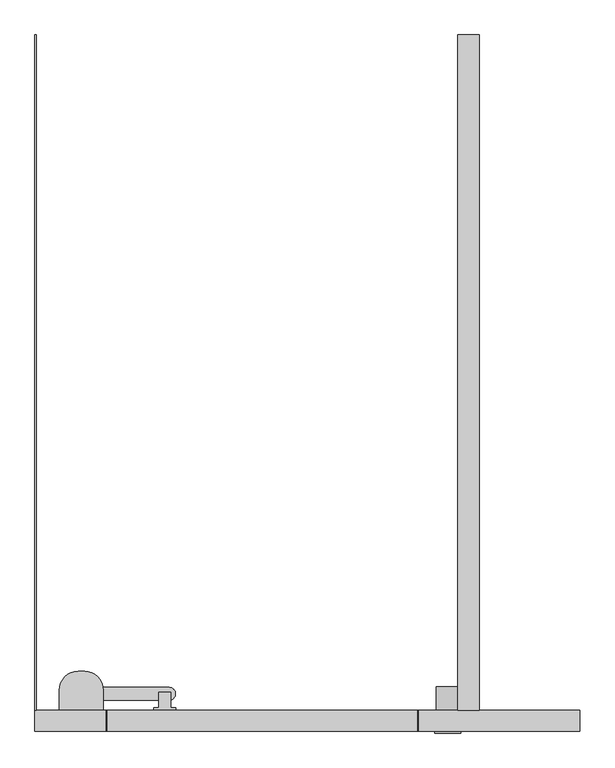
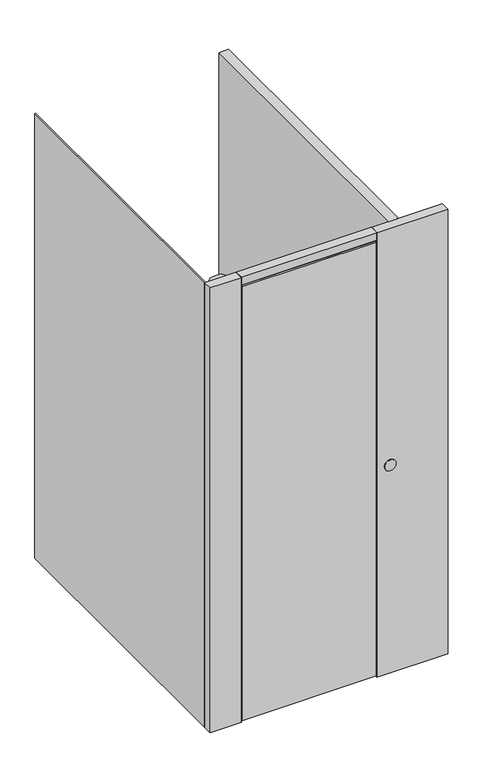
"""IFC4 building model written with IfcOpenShell, lengths in millimetres: proxy geometry."""

from ifc_helpers import new_model, si_unit, point, frame, frame_2d, origin, origin_with_axes, place, context, project, spatial, polyline, circle_curve, trimmed, segment, composite_curve, outline, extrude, source, transform, mapped, element, save


def specialty_equipment_42d1412f(model_context):
    return source(origin(), model_context, "Body", "SweptSolid", [
        extrude(outline(polyline([(-223.312138, 42.0), (-266.312138, 42.0), (-266.312138, 47.0), (-256.312138, 47.0), (-256.312138, 77.9983508), (-233.312138, 77.9983508), (-233.312138, 47.0), (-223.312138, 47.0), (-223.312138, 42.0)])), frame((0.0, 0.0, 2067.5), z_axis=(0.0, 0.0, 1.0), x_axis=(1.0, 0.0, 0.0)), (0.0, 0.0, 1.0), 18.0),
        extrude(outline(composite_curve([segment(trimmed(circle_curve(frame_2d((-403.5, 82.0)), 37.0), [point((-366.5, 82.0))], [point((-366.8393944, 87.0))], True, "CARTESIAN"), True, "CONTINUOUS"), segment(polyline([(-366.8393944, 87.0), (-235.5, 87.0)]), True, "CONTINUOUS"), segment(trimmed(circle_curve(frame_2d((-235.5, 75.0)), 12.0), [point((-235.5, 87.0))], [point((-223.5, 75.0))], False, "CARTESIAN"), True, "CONTINUOUS"), segment(polyline([(-223.5, 75.0), (-223.5, 74.0)]), True, "CONTINUOUS"), segment(trimmed(circle_curve(frame_2d((-235.5, 74.0)), 12.0), [point((-223.5, 74.0))], [point((-235.5, 62.0))], False, "CARTESIAN"), True, "CONTINUOUS"), segment(polyline([(-235.5, 62.0), (-366.5, 62.0), (-366.5, 82.0)]), True, "CONTINUOUS")], self_intersect=False)), frame((0.0, 0.0, 2057.5), z_axis=(0.0, 0.0, 1.0), x_axis=(1.0, 0.0, 0.0)), (0.0, 0.0, 1.0), 10.0),
        extrude(outline(composite_curve([segment(polyline([(-366.5, 42.0), (-453.5, 42.0), (-453.5, 82.0)]), True, "CONTINUOUS"), segment(trimmed(circle_curve(frame_2d((-416.5, 82.0)), 37.0), [point((-453.5, 82.0))], [point((-416.5, 119.0))], False, "CARTESIAN"), True, "CONTINUOUS"), segment(polyline([(-416.5, 119.0), (-403.5, 119.0)]), True, "CONTINUOUS"), segment(trimmed(circle_curve(frame_2d((-403.5, 82.0)), 37.0), [point((-403.5, 119.0))], [point((-366.5, 82.0))], False, "CARTESIAN"), True, "CONTINUOUS"), segment(polyline([(-366.5, 82.0), (-366.5, 42.0)]), True, "CONTINUOUS")], self_intersect=False)), frame((0.0, 0.0, 1890.5), z_axis=(0.0, 0.0, 1.0), x_axis=(1.0, 0.0, 0.0)), (0.0, 0.0, 1.0), 200.0),
        extrude(outline(polyline([(256.0, 0.0), (-359.0, 0.0), (-359.0, 42.0), (256.0, 42.0), (256.0, 0.0)])), frame((0.0, 0.0, 2098.0), z_axis=(0.0, 0.0, 1.0), x_axis=(1.0, 0.0, 0.0)), (0.0, 0.0, 1.0), 1.3),
        extrude(outline(polyline([(256.0, 0.0), (-359.0, 0.0), (-359.0, 42.0), (256.0, 42.0), (256.0, 0.0)])), frame((0.0, 0.0, 2099.3), z_axis=(0.0, 0.0, 1.0), x_axis=(1.0, 0.0, 0.0)), (0.0, 0.0, 1.0), 36.7),
        extrude(outline(polyline([(-357.7, 42.0), (-357.7, 0.0), (-359.0, 0.0), (-359.0, 42.0), (-357.7, 42.0)])), frame((0.0, 0.0, 7.5), z_axis=(0.0, 0.0, 1.0), x_axis=(1.0, 0.0, 0.0)), (0.0, 0.0, 1.0), 2083.0),
        extrude(outline(polyline([(254.7, 42.0), (256.0, 42.0), (256.0, 0.0), (254.7, 0.0), (254.7, 42.0)])), frame((0.0, 0.0, 7.5), z_axis=(0.0, 0.0, 1.0), x_axis=(1.0, 0.0, 0.0)), (0.0, 0.0, 1.0), 2083.0),
        extrude(outline(polyline([(254.7, 42.0), (254.7, 0.0), (-357.7, 0.0), (-357.7, 42.0), (254.7, 42.0)])), frame((0.0, 0.0, 7.5), z_axis=(0.0, 0.0, 1.0), x_axis=(1.0, 0.0, 0.0)), (0.0, 0.0, 1.0), 2083.0),
        extrude(outline(polyline([(-360.3, 42.0), (-359.0, 42.0), (-359.0, 0.0), (-360.3, 0.0), (-360.3, 42.0)])), origin_with_axes(), (0.0, 0.0, 1.0), 2136.0),
        extrude(outline(polyline([(257.3, 42.0), (257.3, 0.0), (256.0, 0.0), (256.0, 42.0), (257.3, 42.0)])), origin_with_axes(), (0.0, 0.0, 1.0), 2136.0),
        extrude(outline(composite_curve([segment(trimmed(circle_curve(frame_2d((1000.0, 316.0)), 22.5), [point((1000.0, 293.5))], [point((1000.0, 338.5))], False, "CARTESIAN"), True, "CONTINUOUS"), segment(trimmed(circle_curve(frame_2d((1000.0, 316.0)), 22.5), [point((1000.0, 338.5))], [point((1000.0, 293.5))], False, "CARTESIAN"), True, "CONTINUOUS")], self_intersect=False)), frame((0.0, 42.0, 0.0), z_axis=(0.0, 1.0, 0.0), x_axis=(0.0, 0.0, 1.0)), (0.0, 0.0, 1.0), 47.0),
        extrude(outline(composite_curve([segment(trimmed(circle_curve(frame_2d((1000.0, 316.0)), 26.0), [point((1000.0, 290.0))], [point((1000.0, 342.0))], False, "CARTESIAN"), True, "CONTINUOUS"), segment(trimmed(circle_curve(frame_2d((1000.0, 316.0)), 26.0), [point((1000.0, 342.0))], [point((1000.0, 290.0))], False, "CARTESIAN"), True, "CONTINUOUS")], self_intersect=False)), frame((0.0, -3.0, 0.0), z_axis=(0.0, 1.0, 0.0), x_axis=(0.0, 0.0, 1.0)), (0.0, 0.0, 1.0), 3.0),
        extrude(outline(polyline([(336.0, 42.0), (336.0, 1380.0), (378.0, 1380.0), (378.0, 42.0), (336.0, 42.0)])), origin_with_axes(), (0.0, 0.0, 1.0), 2136.0),
        extrude(outline(polyline([(578.0, 0.0), (257.3, 0.0), (257.3, 42.0), (578.0, 42.0), (578.0, 0.0)])), origin_with_axes(), (0.0, 0.0, 1.0), 2136.0),
        extrude(outline(polyline([(-499.0, 42.0), (-502.0, 42.0), (-502.0, 1380.0), (-499.0, 1380.0), (-499.0, 42.0)])), origin_with_axes(), (0.0, 0.0, 1.0), 2136.0),
        extrude(outline(polyline([(-502.0, 42.0), (-360.3, 42.0), (-360.3, 0.0), (-502.0, 0.0), (-502.0, 42.0)])), origin_with_axes(), (0.0, 0.0, 1.0), 2136.0),
    ])


if __name__ == "__main__":
    model = new_model("IFC4")
    model_context = context("Model", 3, world=origin())
    ifc_project = project(units=[si_unit("LENGTHUNIT", "METRE", prefix="MILLI")], contexts=[model_context])
    site = spatial("IfcSite", under=ifc_project)
    building = spatial("IfcBuilding", under=site)
    placement = place(None, origin())
    specialty_equipment_shape = specialty_equipment_42d1412f(model_context)
    element("IfcBuildingElementProxy", 1, Name="Specialty Equipment", at=placement, inside=building, context=model_context, shape_type="MappedRepresentation", body=[
        mapped(specialty_equipment_shape, transform((0.0, 0.0, 0.0), x_axis=(1.0, 0.0, 0.0), y_axis=(0.0, 1.0, 0.0), z_axis=(0.0, 0.0, 1.0))),
    ])
    save(model, "model.ifc")
